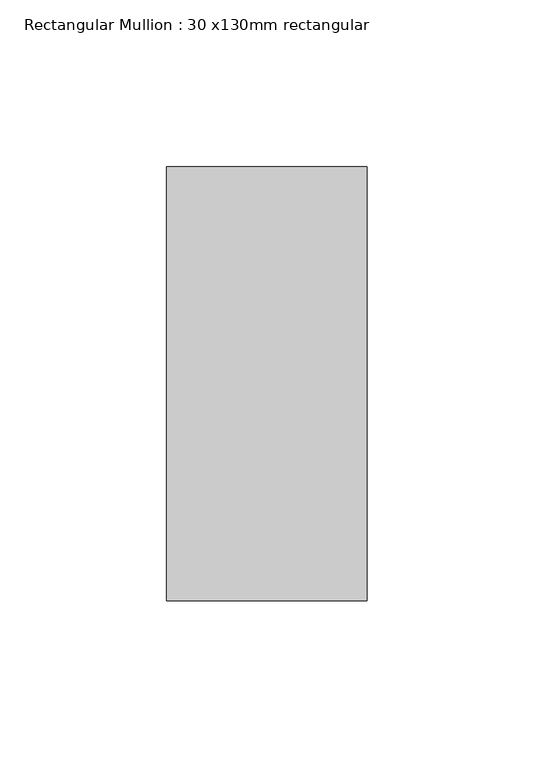
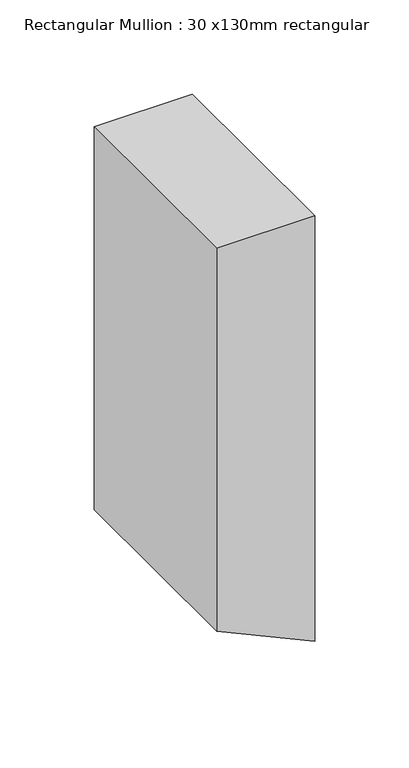
"""IFC4 building model written with IfcOpenShell, lengths in millimetres: member geometry, Rectangular Mullion : 30 x130mm rectangular."""

from ifc_helpers import new_model, si_unit, frame, origin, place, context, project, spatial, polyline, outline, extrude, source, transform, mapped, element, save


def rectangular_mullion_30_x130mm_rectangular_f2a2ddad(model_context):
    return source(origin(), model_context, "Body", "SweptSolid", [
        extrude(outline(polyline([(0.0, 0.0), (0.0, -60.0), (-248.1927244, -60.0), (-275.6037395, 0.0), (0.0, 0.0)])), frame((0.0, -65.0, 0.0), z_axis=(0.0, 1.0, 0.0), x_axis=(0.0, 0.0, 1.0)), (0.0, 0.0, 1.0), 130.0),
    ])


if __name__ == "__main__":
    model = new_model("IFC4")
    model_context = context("Model", 3, world=origin())
    ifc_project = project(units=[si_unit("LENGTHUNIT", "METRE", prefix="MILLI")], contexts=[model_context])
    site = spatial("IfcSite", under=ifc_project)
    building = spatial("IfcBuilding", under=site)
    placement = place(None, origin())
    rectangular_mullion_30_x130mm_rectangular_shape = rectangular_mullion_30_x130mm_rectangular_f2a2ddad(model_context)
    element("IfcMember", 1, ObjectType="Rectangular Mullion : 30 x130mm rectangular", at=placement, inside=building, context=model_context, shape_type="MappedRepresentation", body=[
        mapped(rectangular_mullion_30_x130mm_rectangular_shape, transform((0.0, 0.0, 0.0), x_axis=(1.0, 0.0, 0.0), y_axis=(0.0, 1.0, 0.0), z_axis=(0.0, 0.0, 1.0))),
    ])
    save(model, "model.ifc")
